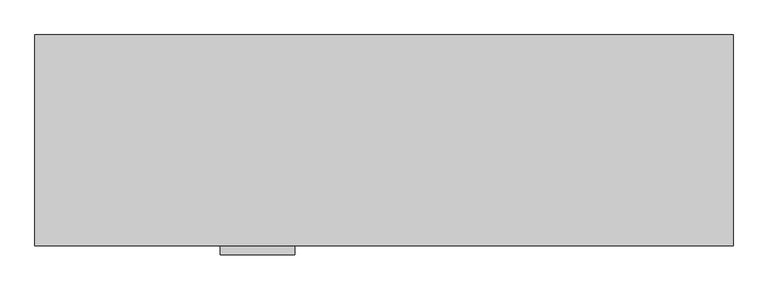
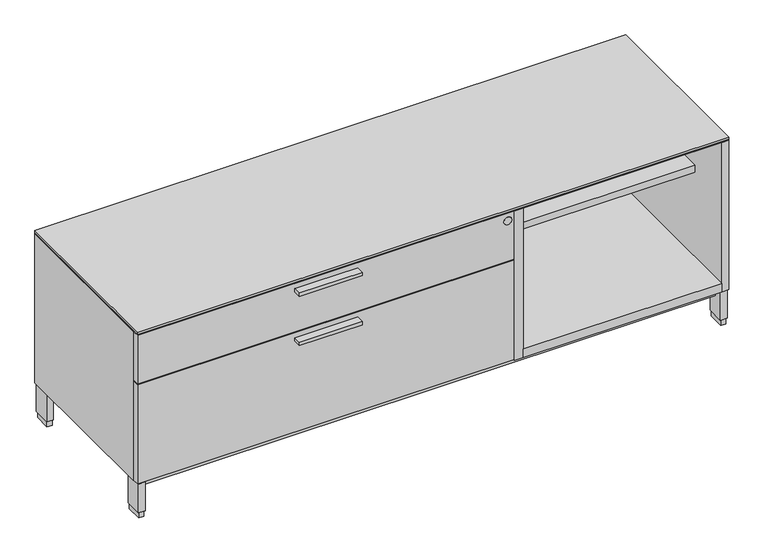
"""IFC4 building model written with IfcOpenShell, lengths in millimetres: furniture geometry."""

from ifc_helpers import new_model, si_unit, point, frame, frame_2d, origin, origin_with_axes, place, context, project, spatial, polyline, circle_curve, trimmed, segment, composite_curve, outline, extrude, source, transform, mapped, element, save


def furniture_e07eb140(model_context):
    return source(origin(), model_context, "Body", "SweptSolid", [
        extrude(outline(polyline([(623.8875, -528.574), (446.0875, -528.574), (446.0875, -506.349), (623.8875, -506.349), (623.8875, -528.574)])), frame((0.0, 0.0, 379.09246), z_axis=(0.0, 0.0, 1.0), x_axis=(1.0, 0.0, 0.0)), (0.0, 0.0, 1.0), 9.525),
        extrude(outline(polyline([(623.8875, -528.574), (446.0875, -528.574), (446.0875, -506.349), (623.8875, -506.349), (623.8875, -528.574)])), frame((0.0, 0.0, 526.53946), z_axis=(0.0, 0.0, 1.0), x_axis=(1.0, 0.0, 0.0)), (0.0, 0.0, 1.0), 9.525),
        extrude(outline(polyline([(1093.7875, -20.828), (1655.3815, -20.828), (1655.3815, -506.349), (1093.7875, -506.349), (1093.7875, -20.828)])), frame((0.0, 0.0, 103.2002), z_axis=(0.0, 0.0, 1.0), x_axis=(1.0, 0.0, 0.0)), (0.0, 0.0, 1.0), 25.4),
        extrude(outline(polyline([(1.5875, -1.524), (1674.8125, -1.524), (1674.8125, -506.349), (1068.3875, -506.349), (1068.3875, -487.172), (1.5875, -487.172), (1.5875, -1.524)])), frame((0.0, 0.0, 550.8752), z_axis=(0.0, 0.0, 1.0), x_axis=(1.0, 0.0, 0.0)), (0.0, 0.0, 1.0), 1.5875),
        extrude(outline(polyline([(1093.7875, -20.828), (1655.3815, -20.828), (1655.3815, -375.8184), (1093.7875, -375.8184), (1093.7875, -20.828)])), frame((0.0, 0.0, 383.0828), z_axis=(0.0, 0.0, 1.0), x_axis=(1.0, 0.0, 0.0)), (0.0, 0.0, 1.0), 20.3454),
        extrude(outline(polyline([(1068.3875, -20.828), (1093.7875, -20.828), (1093.7875, -506.349), (1068.3875, -506.349), (1068.3875, -20.828)])), frame((0.0, 0.0, 103.2002), z_axis=(0.0, 0.0, 1.0), x_axis=(1.0, 0.0, 0.0)), (0.0, 0.0, 1.0), 447.675),
        extrude(outline(polyline([(21.2979, -5.715), (21.2979, -52.197), (6.5659, -52.197), (6.5659, -5.715), (21.2979, -5.715)])), origin_with_axes(), (0.0, 0.0, 1.0), 17.399),
        extrude(outline(polyline([(21.2979, -455.676), (21.2979, -502.158), (6.5659, -502.158), (6.5659, -455.676), (21.2979, -455.676)])), origin_with_axes(), (0.0, 0.0, 1.0), 17.399),
        extrude(outline(polyline([(1669.8341, -455.676), (1669.8341, -502.158), (1655.1021, -502.158), (1655.1021, -455.676), (1669.8341, -455.676)])), origin_with_axes(), (0.0, 0.0, 1.0), 17.399),
        extrude(outline(polyline([(1669.8341, -5.715), (1669.8341, -52.197), (1655.1021, -52.197), (1655.1021, -5.715), (1669.8341, -5.715)])), origin_with_axes(), (0.0, 0.0, 1.0), 17.399),
        extrude(outline(polyline([(23.4569, -3.556), (23.4569, -54.356), (4.4069, -54.356), (4.4069, -3.556), (23.4569, -3.556)])), frame((0.0, 0.0, 17.399), z_axis=(0.0, 0.0, 1.0), x_axis=(1.0, 0.0, 0.0)), (0.0, 0.0, 1.0), 85.8012),
        extrude(outline(polyline([(1671.9931, -3.556), (1671.9931, -54.356), (1652.9431, -54.356), (1652.9431, -3.556), (1671.9931, -3.556)])), frame((0.0, 0.0, 17.399), z_axis=(0.0, 0.0, 1.0), x_axis=(1.0, 0.0, 0.0)), (0.0, 0.0, 1.0), 85.8012),
        extrude(outline(polyline([(1671.9931, -453.517), (1671.9931, -504.317), (1652.9431, -504.317), (1652.9431, -453.517), (1671.9931, -453.517)])), frame((0.0, 0.0, 17.399), z_axis=(0.0, 0.0, 1.0), x_axis=(1.0, 0.0, 0.0)), (0.0, 0.0, 1.0), 85.8012),
        extrude(outline(polyline([(23.4569, -453.517), (23.4569, -504.317), (4.4069, -504.317), (4.4069, -453.517), (23.4569, -453.517)])), frame((0.0, 0.0, 17.399), z_axis=(0.0, 0.0, 1.0), x_axis=(1.0, 0.0, 0.0)), (0.0, 0.0, 1.0), 85.8012),
        extrude(outline(polyline([(1652.9431, -26.99766), (1652.9431, -480.87534), (23.4569, -480.87534), (23.4569, -26.99766), (1652.9431, -26.99766)])), frame((0.0, 0.0, 77.8002), z_axis=(0.0, 0.0, 1.0), x_axis=(1.0, 0.0, 0.0)), (0.0, 0.0, 1.0), 25.4),
        extrude(outline(composite_curve([segment(trimmed(circle_curve(frame_2d((528.3708, 1049.3375)), 11.176), [point((528.3708, 1060.5135))], [point((528.3708, 1038.1615))], False, "CARTESIAN"), True, "CONTINUOUS"), segment(trimmed(circle_curve(frame_2d((528.3708, 1049.3375)), 11.176), [point((528.3708, 1038.1615))], [point((528.3708, 1060.5135))], False, "CARTESIAN"), True, "CONTINUOUS")], self_intersect=False)), frame((0.0, -506.9614948, 0.0), z_axis=(0.0, 1.0, 0.0), x_axis=(0.0, 0.0, 1.0)), (0.0, 0.0, 1.0), 5.0524148),
        extrude(outline(polyline([(1068.3875, -487.172), (1068.3875, -506.349), (1.5875, -506.349), (1.5875, -487.172), (1068.3875, -487.172)])), frame((0.0, 0.0, 106.3752), z_axis=(0.0, 0.0, 1.0), x_axis=(1.0, 0.0, 0.0)), (0.0, 0.0, 1.0), 297.053),
        extrude(outline(polyline([(1068.3875, -487.172), (1068.3875, -506.349), (1.5875, -506.349), (1.5875, -487.172), (1068.3875, -487.172)])), frame((0.0, 0.0, 406.6032), z_axis=(0.0, 0.0, 1.0), x_axis=(1.0, 0.0, 0.0)), (0.0, 0.0, 1.0), 144.272),
        extrude(outline(polyline([(1674.8125, -506.349), (1.5875, -506.349), (1.5875, -1.524), (1674.8125, -1.524), (1674.8125, -506.349)])), frame((0.0, 0.0, 554.0502), z_axis=(0.0, 0.0, 1.0), x_axis=(1.0, 0.0, 0.0)), (0.0, 0.0, 1.0), 6.35),
        extrude(outline(polyline([(1.5875, -1.524), (1674.8125, -1.524), (1674.8125, -506.349), (1655.3815, -506.349), (1655.3815, -20.828), (21.0185, -20.828), (21.0185, -483.2858), (1.5875, -483.2858), (1.5875, -1.524)])), frame((0.0, 0.0, 103.2002), z_axis=(0.0, 0.0, 1.0), x_axis=(1.0, 0.0, 0.0)), (0.0, 0.0, 1.0), 447.675),
    ])


if __name__ == "__main__":
    model = new_model("IFC4")
    model_context = context("Model", 3, world=origin())
    ifc_project = project(units=[si_unit("LENGTHUNIT", "METRE", prefix="MILLI")], contexts=[model_context])
    site = spatial("IfcSite", under=ifc_project)
    building = spatial("IfcBuilding", under=site)
    placement = place(None, origin())
    furniture_shape = furniture_e07eb140(model_context)
    element("IfcFurniture", 1, at=placement, inside=building, context=model_context, shape_type="MappedRepresentation", body=[
        mapped(furniture_shape, transform((0.0, 0.0, 0.0), x_axis=(1.0, 0.0, 0.0), y_axis=(0.0, 1.0, 0.0), z_axis=(0.0, 0.0, 1.0))),
    ])
    save(model, "model.ifc")
